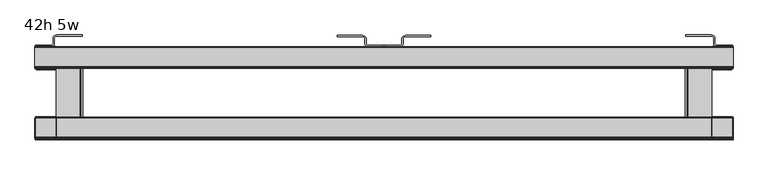
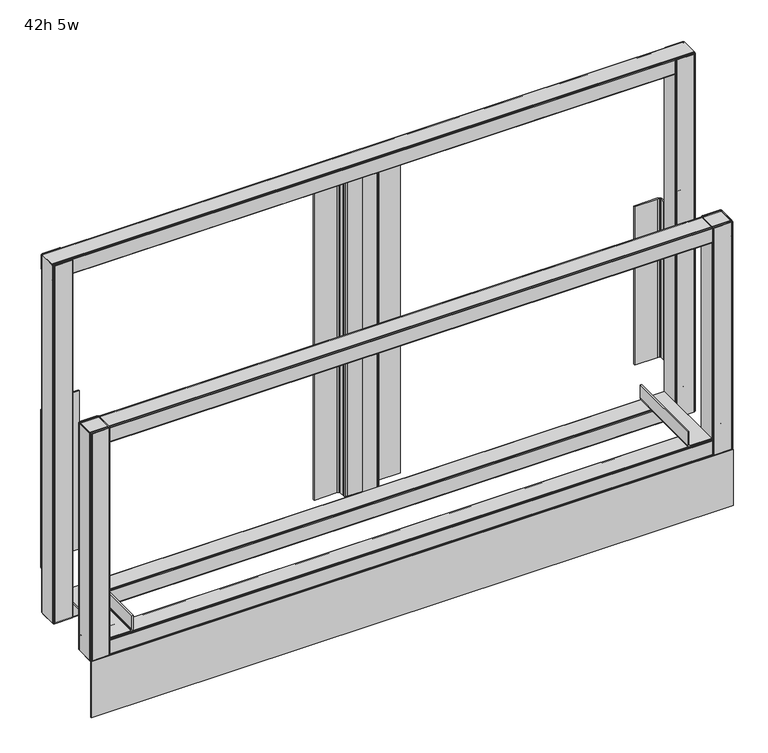
"""IFC4 building model written with IfcOpenShell, lengths in millimetres: furniture geometry, 42h 5w."""

from ifc_helpers import new_model, si_unit, point, frame, frame_2d, origin, origin_with_axes, place, context, project, spatial, polyline, circle_curve, trimmed, segment, composite_curve, outline, extrude, source, transform, mapped, element, save


def furniture_42h_5w_247d5fed(model_context):
    return source(origin(), model_context, "Body", "SweptSolid", [
        extrude(outline(polyline([(1524.0, -72.6720019), (1523.5727983, -74.2663389), (1522.4106677, -75.4284727), (1520.8231678, -75.8538427), (1479.6114287, -75.8538427), (1478.1629536, -75.160403), (1477.1936768, -73.8532744), (1476.9684817, -72.6788412), (1476.9684817, -27.3581035), (1478.1629536, -25.7472801), (1479.611424, -25.0538403), (1481.7408108, -25.0538403), (1520.8231679, -25.0538403), (1522.4106677, -25.4792097), (1523.5727983, -26.6413403), (1524.0, -28.2356787), (1524.0, -72.6720019)]), holes=[composite_curve([segment(polyline([(1522.0931676, -72.730636), (1522.0931676, -28.1651168)]), True, "CONTINUOUS"), segment(trimmed(circle_curve(frame_2d((1520.8868913, -28.1651168)), 1.2062764), [point((1522.0931676, -28.1651168))], [point((1520.8868913, -26.9588404))], True, "CARTESIAN"), True, "CONTINUOUS"), segment(polyline([(1520.8868913, -26.9588404), (1480.1283088, -26.9588404)]), True, "CONTINUOUS"), segment(trimmed(circle_curve(frame_2d((1480.1283089, -28.2136693)), 1.254829), [point((1480.1283088, -26.9588404))], [point((1478.8734799, -28.2136693))], True, "CARTESIAN"), True, "CONTINUOUS"), segment(polyline([(1478.8734799, -28.2136693), (1478.8734799, -72.8953776)]), True, "CONTINUOUS"), segment(trimmed(circle_curve(frame_2d((1479.9269416, -72.8953776)), 1.0534616), [point((1478.8734799, -72.8953776))], [point((1479.9269417, -73.9488392))], True, "CARTESIAN"), True, "CONTINUOUS"), segment(polyline([(1479.9269417, -73.9488392), (1520.8749644, -73.9488392)]), True, "CONTINUOUS"), segment(trimmed(circle_curve(frame_2d((1520.8749644, -72.730636)), 1.2182032), [point((1520.8749644, -73.9488392))], [point((1522.0931676, -72.730636))], True, "CARTESIAN"), True, "CONTINUOUS")], self_intersect=False)]), frame((0.0, 0.0, 142.2400006), z_axis=(0.0, 0.0, 1.0), x_axis=(1.0, 0.0, 0.0)), (0.0, 0.0, 1.0), 897.9650676),
        extrude(outline(polyline([(0.0, -72.6720025), (0.0, -28.2356792), (0.4272017, -26.6413409), (1.5893323, -25.4792102), (3.1768321, -25.0538409), (42.2591892, -25.0538401), (44.3885759, -25.0538401), (45.8370464, -25.7472799), (47.0315183, -27.3581033), (47.0315183, -72.678841), (46.8063232, -73.8532742), (45.8370464, -75.1604028), (44.3885713, -75.8538425), (3.1768322, -75.8538425), (1.5893323, -75.4284733), (0.4272017, -74.2663394), (0.0, -72.6720025)]), holes=[composite_curve([segment(trimmed(circle_curve(frame_2d((3.1250356, -72.7306366)), 1.2182032), [point((1.9068324, -72.7306366))], [point((3.1250356, -73.9488397))], True, "CARTESIAN"), True, "CONTINUOUS"), segment(polyline([(3.1250356, -73.9488397), (44.0730584, -73.9488397)]), True, "CONTINUOUS"), segment(trimmed(circle_curve(frame_2d((44.0730584, -72.8953781)), 1.0534617), [point((44.0730584, -73.9488397))], [point((45.1265201, -72.8953781))], True, "CARTESIAN"), True, "CONTINUOUS"), segment(polyline([(45.1265201, -72.8953781), (45.1265201, -28.2136691)]), True, "CONTINUOUS"), segment(trimmed(circle_curve(frame_2d((43.8716911, -28.2136691)), 1.2548289), [point((45.1265201, -28.2136691))], [point((43.8716911, -26.9588402))], True, "CARTESIAN"), True, "CONTINUOUS"), segment(polyline([(43.8716911, -26.9588402), (3.1131087, -26.9588408)]), True, "CONTINUOUS"), segment(trimmed(circle_curve(frame_2d((3.1131088, -28.1651172)), 1.2062764), [point((3.1131087, -26.9588408))], [point((1.9068324, -28.1651172))], True, "CARTESIAN"), True, "CONTINUOUS"), segment(polyline([(1.9068324, -28.1651172), (1.9068324, -72.7306366)]), True, "CONTINUOUS")], self_intersect=False)]), frame((0.0, 0.0, 142.2400006), z_axis=(0.0, 0.0, 1.0), x_axis=(1.0, 0.0, 0.0)), (0.0, 0.0, 1.0), 897.9650676),
        extrude(outline(polyline([(727.7208445, -23.01875), (762.0, -23.01875), (762.0, -26.0161562), (727.569944, -26.0161562), (723.4778403, -24.9196801), (721.2539889, -22.6958267), (720.4399988, -19.6579869), (720.4399988, -7.8317466), (720.033006, -6.3128259), (718.9210781, -5.2009002), (714.5916973, -4.0408449), (659.9778418, -4.0408449), (659.9778418, -0.9623159), (714.4398534, -0.9623159), (720.4399988, -2.5700538), (722.6638547, -4.7939074), (723.4778403, -7.8317466), (723.4778403, -19.6579869), (723.8848331, -21.1769068), (724.996761, -22.2888334), (727.7208445, -23.01875)])), frame((0.0, 0.0, 178.4492695), z_axis=(0.0, 0.0, 1.0), x_axis=(1.0, 0.0, 0.0)), (0.0, 0.0, 1.0), 823.9758089),
        extrude(outline(polyline([(796.2791555, -23.01875), (799.003239, -22.2888334), (800.1151669, -21.1769068), (800.5221597, -19.6579869), (800.5221597, -7.8317466), (801.3361453, -4.7939074), (803.5600012, -2.5700538), (809.5601466, -0.9623159), (864.0221582, -0.9623159), (864.0221582, -4.0408449), (809.4083027, -4.0408449), (805.0789219, -5.2009002), (803.966994, -6.3128259), (803.5600012, -7.8317466), (803.5600012, -19.6579869), (802.7460111, -22.6958267), (800.5221597, -24.9196801), (796.430056, -26.0161562), (762.0, -26.0161562), (762.0, -23.01875), (796.2791555, -23.01875)])), frame((0.0, 0.0, 176.0315177), z_axis=(0.0, 0.0, 1.0), x_axis=(1.0, 0.0, 0.0)), (0.0, 0.0, 1.0), 826.3935607),
        extrude(outline(polyline([(35.3068785, -22.0564341), (38.030962, -21.3265174), (39.14289, -20.2145909), (39.5498827, -18.695671), (39.5498827, -6.8694307), (40.3638683, -3.8315915), (42.5877242, -1.6077378), (48.5878696, 0.0), (103.0498812, 0.0), (103.0498812, -3.078529), (48.4360257, -3.078529), (44.1066449, -4.2385842), (42.994717, -5.3505099), (42.5877242, -6.8694307), (42.5877242, -18.695671), (41.7737341, -21.7335108), (39.5498827, -23.9573641), (35.457779, -25.0538403), (1.027723, -25.0538403), (1.027723, -22.0564341), (35.3068785, -22.0564341)])), frame((0.0, 0.0, 251.0568051), z_axis=(0.0, 0.0, 1.0), x_axis=(1.0, 0.0, 0.0)), (0.0, 0.0, 1.0), 397.1052306),
        extrude(outline(polyline([(1488.6931215, -22.0564341), (1522.972277, -22.0564341), (1522.972277, -25.0538403), (1488.542221, -25.0538403), (1484.4501173, -23.9573641), (1482.2262659, -21.7335108), (1481.4122758, -18.695671), (1481.4122758, -6.8694307), (1481.005283, -5.3505099), (1479.8933551, -4.2385842), (1475.5639743, -3.078529), (1420.9501188, -3.078529), (1420.9501188, 0.0), (1475.4121304, 0.0), (1481.4122758, -1.6077378), (1483.6361317, -3.8315915), (1484.4501173, -6.8694307), (1484.4501173, -18.695671), (1484.85711, -20.2145909), (1485.969038, -21.3265174), (1488.6931215, -22.0564341)])), frame((0.0, 0.0, 251.0568051), z_axis=(0.0, 0.0, 1.0), x_axis=(1.0, 0.0, 0.0)), (0.0, 0.0, 1.0), 397.1052306),
        extrude(outline(polyline([(1524.0, -72.6720019), (1523.5727983, -74.2663389), (1522.4106677, -75.4284727), (1520.8231678, -75.8538427), (1479.6114287, -75.8538427), (1478.1629536, -75.160403), (1477.1936768, -73.8532744), (1476.9684817, -72.6788412), (1476.9684817, -27.3581035), (1478.1629536, -25.7472801), (1479.611424, -25.0538403), (1481.7408108, -25.0538403), (1520.8231679, -25.0538403), (1522.4106677, -25.4792097), (1523.5727983, -26.6413403), (1524.0, -28.2356787), (1524.0, -72.6720019)]), holes=[composite_curve([segment(polyline([(1522.0931676, -72.730636), (1522.0931676, -28.1651168)]), True, "CONTINUOUS"), segment(trimmed(circle_curve(frame_2d((1520.8868913, -28.1651168)), 1.2062764), [point((1522.0931676, -28.1651168))], [point((1520.8868913, -26.9588404))], True, "CARTESIAN"), True, "CONTINUOUS"), segment(polyline([(1520.8868913, -26.9588404), (1480.1283088, -26.9588404)]), True, "CONTINUOUS"), segment(trimmed(circle_curve(frame_2d((1480.1283089, -28.2136693)), 1.254829), [point((1480.1283088, -26.9588404))], [point((1478.8734799, -28.2136693))], True, "CARTESIAN"), True, "CONTINUOUS"), segment(polyline([(1478.8734799, -28.2136693), (1478.8734799, -72.8953776)]), True, "CONTINUOUS"), segment(trimmed(circle_curve(frame_2d((1479.9269416, -72.8953776)), 1.0534616), [point((1478.8734799, -72.8953776))], [point((1479.9269417, -73.9488392))], True, "CARTESIAN"), True, "CONTINUOUS"), segment(polyline([(1479.9269417, -73.9488392), (1520.8749644, -73.9488392)]), True, "CONTINUOUS"), segment(trimmed(circle_curve(frame_2d((1520.8749644, -72.730636)), 1.2182032), [point((1520.8749644, -73.9488392))], [point((1522.0931676, -72.730636))], True, "CARTESIAN"), True, "CONTINUOUS")], self_intersect=False)]), frame((0.0, 0.0, 142.2400006), z_axis=(0.0, 0.0, 1.0), x_axis=(1.0, 0.0, 0.0)), (0.0, 0.0, 1.0), 568.9599752),
        extrude(outline(polyline([(-69.6866351, 1001.9409842), (-71.4932977, 1002.4250785), (-72.6554315, 1003.587209), (-72.8823632, 1004.4341299), (-72.8823632, 1038.7565932), (-72.1889235, 1040.2050682), (-70.8817949, 1041.174345), (-69.7049635, 1041.4), (-28.5017272, 1041.4), (-26.8902842, 1040.2050682), (-26.1968444, 1038.7565977), (-26.1968444, 1036.627211), (-26.1968444, 1005.9152882), (-26.8206514, 1003.587209), (-27.982782, 1002.4250784), (-29.7894465, 1001.9409842), (-69.6866351, 1001.9409842)]), holes=[composite_curve([segment(polyline([(-70.332356, 1003.5801491), (-29.2089019, 1003.5801491)]), True, "CONTINUOUS"), segment(trimmed(circle_curve(frame_2d((-29.2089019, 1004.7864254)), 1.2062764), [point((-29.2089019, 1003.5801491))], [point((-28.0026255, 1004.7864254))], True, "CARTESIAN"), True, "CONTINUOUS"), segment(polyline([(-28.0026255, 1004.7864254), (-28.0026255, 1038.1404943)]), True, "CONTINUOUS"), segment(trimmed(circle_curve(frame_2d((-29.2574544, 1038.1404943)), 1.2548289), [point((-28.0026255, 1038.1404943))], [point((-29.2574544, 1039.3953232))], True, "CARTESIAN"), True, "CONTINUOUS"), segment(polyline([(-29.2574544, 1039.3953232), (-70.2691988, 1039.3953232)]), True, "CONTINUOUS"), segment(trimmed(circle_curve(frame_2d((-70.2691988, 1038.5383334)), 0.8569898), [point((-70.2691988, 1039.3953232))], [point((-71.1261886, 1038.5383334))], True, "CARTESIAN"), True, "CONTINUOUS"), segment(polyline([(-71.1261886, 1038.5383334), (-71.1261886, 1037.4730464), (-71.1261886, 1004.3739817)]), True, "CONTINUOUS"), segment(trimmed(circle_curve(frame_2d((-70.332356, 1004.3739817)), 0.7938326), [point((-71.1261886, 1004.3739817))], [point((-70.332356, 1003.5801491))], True, "CARTESIAN"), True, "CONTINUOUS")], self_intersect=False)]), frame((0.0, 0.0, 0.0), z_axis=(1.0, 0.0, 0.0), x_axis=(0.0, 1.0, 0.0)), (0.0, 0.0, 1.0), 1524.0),
        extrude(outline(polyline([(217.1649967, 1419.5758798), (183.3880068, 1419.5758798), (180.2764961, 1420.4096043), (177.9987282, 1422.6873722), (177.1650036, 1425.7988647), (177.1650036, 1476.9782739), (180.2130007, 1476.9782739), (180.2130007, 1425.7988647), (180.6383745, 1424.2113708), (181.8004947, 1423.0492506), (183.3880068, 1422.6238768), (217.1649967, 1422.6238768), (217.1649967, 1419.5758798)])), frame((0.0, -223.0555224, 0.0), z_axis=(0.0, 1.0, 0.0), x_axis=(0.0, 0.0, 1.0)), (0.0, 0.0, 1.0), 194.5544148),
        extrude(outline(polyline([(217.1649967, 104.4241202), (217.1649967, 101.3761232), (183.3880068, 101.3761232), (181.8004947, 100.9507494), (180.6383745, 99.7886292), (180.2130007, 98.2011353), (180.2130007, 47.0315183), (177.1650036, 47.0315183), (177.1650036, 98.2011353), (177.9987282, 101.3126278), (180.2764961, 103.5903957), (183.3880068, 104.4241202), (217.1649967, 104.4241202)])), frame((0.0, -223.0555224, 0.0), z_axis=(0.0, 1.0, 0.0), x_axis=(0.0, 0.0, 1.0)), (0.0, 0.0, 1.0), 194.5537952),
        extrude(outline(polyline([(1524.0, -229.202005), (0.762, -229.202005), (0.762, -227.1700069), (1524.0, -227.1700069), (1524.0, -229.202005)])), origin_with_axes(), (0.0, 0.0, 1.0), 139.700003),
        extrude(outline(polyline([(1524.0, -226.020165), (1523.5727983, -227.6145019), (1522.4106677, -228.7766357), (1520.8231678, -229.202005), (1479.6114287, -229.202005), (1478.1629536, -228.5085653), (1477.1936768, -227.2014367), (1476.9684817, -226.0270034), (1476.9684817, -180.7062658), (1478.1629536, -179.0954424), (1479.6114241, -178.4020034), (1481.7408108, -178.4020034), (1520.8231679, -178.4020034), (1522.4106677, -178.8273727), (1523.5727983, -179.9895033), (1524.0, -181.5838417), (1524.0, -226.020165)]), holes=[composite_curve([segment(polyline([(1522.0931676, -226.078799), (1522.0931676, -181.5132797)]), True, "CONTINUOUS"), segment(trimmed(circle_curve(frame_2d((1520.8868912, -181.5132797)), 1.2062764), [point((1522.0931676, -181.5132797))], [point((1520.8868912, -180.3070033))], True, "CARTESIAN"), True, "CONTINUOUS"), segment(polyline([(1520.8868912, -180.3070033), (1480.1283089, -180.3070026)]), True, "CONTINUOUS"), segment(trimmed(circle_curve(frame_2d((1480.1283089, -181.5618316)), 1.2548289), [point((1480.1283089, -180.3070026))], [point((1478.87348, -181.5618316))], True, "CARTESIAN"), True, "CONTINUOUS"), segment(polyline([(1478.87348, -181.5618316), (1478.87348, -226.2435406)]), True, "CONTINUOUS"), segment(trimmed(circle_curve(frame_2d((1479.9269416, -226.2435406)), 1.0534615), [point((1478.87348, -226.2435406))], [point((1479.9269416, -227.2970021))], True, "CARTESIAN"), True, "CONTINUOUS"), segment(polyline([(1479.9269416, -227.2970021), (1520.8749644, -227.2970021)]), True, "CONTINUOUS"), segment(trimmed(circle_curve(frame_2d((1520.8749644, -226.078799)), 1.2182032), [point((1520.8749644, -227.2970021))], [point((1522.0931676, -226.078799))], True, "CARTESIAN"), True, "CONTINUOUS")], self_intersect=False)]), frame((0.0, 0.0, 142.2400006), z_axis=(0.0, 0.0, 1.0), x_axis=(1.0, 0.0, 0.0)), (0.0, 0.0, 1.0), 569.0435446),
        extrude(outline(polyline([(0.0, -226.020165), (0.0, -181.5838417), (0.4272017, -179.9895033), (1.5893323, -178.8273727), (3.1768321, -178.4020034), (42.2591892, -178.4020026), (44.3885759, -178.4020026), (45.8370464, -179.0954424), (47.0315183, -180.7062658), (47.0315183, -226.0270034), (46.8063232, -227.2014367), (45.8370464, -228.5085653), (44.3885713, -229.202005), (3.1768322, -229.202005), (1.5893323, -228.7766357), (0.4272017, -227.6145019), (0.0, -226.020165)]), holes=[composite_curve([segment(trimmed(circle_curve(frame_2d((3.1250356, -226.078799)), 1.2182032), [point((1.9068324, -226.078799))], [point((3.1250356, -227.2970022))], True, "CARTESIAN"), True, "CONTINUOUS"), segment(polyline([(3.1250356, -227.2970022), (44.0730584, -227.2970022)]), True, "CONTINUOUS"), segment(trimmed(circle_curve(frame_2d((44.0730584, -226.2435405)), 1.0534617), [point((44.0730584, -227.2970022))], [point((45.1265201, -226.2435405))], True, "CARTESIAN"), True, "CONTINUOUS"), segment(polyline([(45.1265201, -226.2435405), (45.1265201, -181.5618316)]), True, "CONTINUOUS"), segment(trimmed(circle_curve(frame_2d((43.8716912, -181.5618316)), 1.2548289), [point((45.1265201, -181.5618316))], [point((43.8716911, -180.3070027))], True, "CARTESIAN"), True, "CONTINUOUS"), segment(polyline([(43.8716911, -180.3070027), (3.1131088, -180.3070033)]), True, "CONTINUOUS"), segment(trimmed(circle_curve(frame_2d((3.1131088, -181.5132797)), 1.2062764), [point((3.1131088, -180.3070033))], [point((1.9068324, -181.5132797))], True, "CARTESIAN"), True, "CONTINUOUS"), segment(polyline([(1.9068324, -181.5132797), (1.9068324, -226.078799)]), True, "CONTINUOUS")], self_intersect=False)]), frame((0.0, 0.0, 142.2400006), z_axis=(0.0, 0.0, 1.0), x_axis=(1.0, 0.0, 0.0)), (0.0, 0.0, 1.0), 569.0435446),
        extrude(outline(polyline([(-223.0347979, 139.2159088), (-224.8414605, 139.700003), (-226.0035943, 140.8621336), (-226.230526, 141.7090545), (-226.230526, 176.0315177), (-225.5370863, 177.4799928), (-224.2299577, 178.4492695), (-223.0555224, 178.6744651), (-181.8492701, 178.6744693), (-180.2384467, 177.4799928), (-179.5450075, 176.0315223), (-179.5450075, 173.9021356), (-179.5450075, 143.1902128), (-180.1688145, 140.8621336), (-181.3309451, 139.700003), (-183.1376095, 139.2159088), (-223.0347979, 139.2159088)]), holes=[composite_curve([segment(polyline([(-223.6805188, 140.8550736), (-182.557065, 140.8550736)]), True, "CONTINUOUS"), segment(trimmed(circle_curve(frame_2d((-182.557065, 142.06135)), 1.2062764), [point((-182.557065, 140.8550736))], [point((-181.3507886, 142.06135))], True, "CARTESIAN"), True, "CONTINUOUS"), segment(polyline([(-181.3507886, 142.06135), (-181.3507886, 175.4154189)]), True, "CONTINUOUS"), segment(trimmed(circle_curve(frame_2d((-182.6056175, 175.4154189)), 1.2548289), [point((-181.3507886, 175.4154189))], [point((-182.6056175, 176.6702478))], True, "CARTESIAN"), True, "CONTINUOUS"), segment(polyline([(-182.6056175, 176.6702478), (-223.6173616, 176.6702478)]), True, "CONTINUOUS"), segment(trimmed(circle_curve(frame_2d((-223.6173616, 175.813258)), 0.8569898), [point((-223.6173616, 176.6702478))], [point((-224.4743514, 175.813258))], True, "CARTESIAN"), True, "CONTINUOUS"), segment(polyline([(-224.4743514, 175.813258), (-224.4743514, 174.747971), (-224.4743514, 141.6489063)]), True, "CONTINUOUS"), segment(trimmed(circle_curve(frame_2d((-223.6805188, 141.6489063)), 0.7938326), [point((-224.4743514, 141.6489063))], [point((-223.6805188, 140.8550736))], True, "CARTESIAN"), True, "CONTINUOUS")], self_intersect=False)]), frame((1.9068324, 0.0, 0.0), z_axis=(1.0, 0.0, 0.0), x_axis=(0.0, 1.0, 0.0)), (0.0, 0.0, 1.0), 1522.0931676),
        extrude(outline(polyline([(-69.6866351, 139.2159088), (-71.4932977, 139.700003), (-72.6554315, 140.8621336), (-72.8823632, 141.7090545), (-72.8823632, 176.0315177), (-72.1889235, 177.4799928), (-70.8817949, 178.4492695), (-69.7073595, 178.6744651), (-28.5011076, 178.6744693), (-26.8902842, 177.4799928), (-26.1968444, 176.0315223), (-26.1968444, 173.9021356), (-26.1968444, 143.1902128), (-26.8206514, 140.8621336), (-27.982782, 139.700003), (-29.7894465, 139.2159088), (-69.6866351, 139.2159088)]), holes=[composite_curve([segment(polyline([(-70.332356, 140.8550736), (-29.2089019, 140.8550736)]), True, "CONTINUOUS"), segment(trimmed(circle_curve(frame_2d((-29.2089019, 142.06135)), 1.2062764), [point((-29.2089019, 140.8550736))], [point((-28.0026255, 142.06135))], True, "CARTESIAN"), True, "CONTINUOUS"), segment(polyline([(-28.0026255, 142.06135), (-28.0026255, 175.4154189)]), True, "CONTINUOUS"), segment(trimmed(circle_curve(frame_2d((-29.2574544, 175.4154189)), 1.2548289), [point((-28.0026255, 175.4154189))], [point((-29.2574544, 176.6702478))], True, "CARTESIAN"), True, "CONTINUOUS"), segment(polyline([(-29.2574544, 176.6702478), (-70.2691988, 176.6702478)]), True, "CONTINUOUS"), segment(trimmed(circle_curve(frame_2d((-70.2691988, 175.813258)), 0.8569898), [point((-70.2691988, 176.6702478))], [point((-71.1261886, 175.813258))], True, "CARTESIAN"), True, "CONTINUOUS"), segment(polyline([(-71.1261886, 175.813258), (-71.1261886, 174.747971), (-71.1261886, 141.6489063)]), True, "CONTINUOUS"), segment(trimmed(circle_curve(frame_2d((-70.332356, 141.6489063)), 0.7938326), [point((-71.1261886, 141.6489063))], [point((-70.332356, 140.8550736))], True, "CARTESIAN"), True, "CONTINUOUS")], self_intersect=False)]), frame((1.9068324, 0.0, 0.0), z_axis=(1.0, 0.0, 0.0), x_axis=(0.0, 1.0, 0.0)), (0.0, 0.0, 1.0), 1522.0931676),
        extrude(outline(polyline([(-223.0347979, 671.8249791), (-224.8414605, 672.3090734), (-226.0035943, 673.4712039), (-226.230526, 674.3181248), (-226.230526, 708.6405881), (-225.5370863, 710.0890631), (-224.2299577, 711.0583399), (-223.0532062, 711.2839796), (-181.849869, 711.2839796), (-180.2384467, 710.0890631), (-179.5450069, 708.6405927), (-179.5450069, 706.511206), (-179.5450069, 675.7992832), (-180.1688139, 673.4712039), (-181.3309445, 672.3090734), (-183.1376089, 671.8249791), (-223.0347979, 671.8249791)]), holes=[composite_curve([segment(polyline([(-223.6805188, 673.464144), (-182.5570644, 673.464144)]), True, "CONTINUOUS"), segment(trimmed(circle_curve(frame_2d((-182.5570644, 674.6704204)), 1.2062764), [point((-182.5570644, 673.464144))], [point((-181.350788, 674.6704204))], True, "CARTESIAN"), True, "CONTINUOUS"), segment(polyline([(-181.350788, 674.6704204), (-181.350788, 708.0244893)]), True, "CONTINUOUS"), segment(trimmed(circle_curve(frame_2d((-182.6056169, 708.0244893)), 1.2548289), [point((-181.350788, 708.0244893))], [point((-182.6056169, 709.2793182))], True, "CARTESIAN"), True, "CONTINUOUS"), segment(polyline([(-182.6056169, 709.2793182), (-223.6173616, 709.2793182)]), True, "CONTINUOUS"), segment(trimmed(circle_curve(frame_2d((-223.6173616, 708.4223284)), 0.8569898), [point((-223.6173616, 709.2793182))], [point((-224.4743514, 708.4223284))], True, "CARTESIAN"), True, "CONTINUOUS"), segment(polyline([(-224.4743514, 708.4223284), (-224.4743514, 707.3570413), (-224.4743514, 674.2579766)]), True, "CONTINUOUS"), segment(trimmed(circle_curve(frame_2d((-223.6805188, 674.2579766)), 0.7938326), [point((-224.4743514, 674.2579766))], [point((-223.6805188, 673.464144))], True, "CARTESIAN"), True, "CONTINUOUS")], self_intersect=False)]), frame((1.9068324, 0.0, 0.0), z_axis=(1.0, 0.0, 0.0), x_axis=(0.0, 1.0, 0.0)), (0.0, 0.0, 1.0), 1522.0931676),
    ])


if __name__ == "__main__":
    model = new_model("IFC4")
    model_context = context("Model", 3, world=origin())
    ifc_project = project(units=[si_unit("LENGTHUNIT", "METRE", prefix="MILLI")], contexts=[model_context])
    site = spatial("IfcSite", under=ifc_project)
    building = spatial("IfcBuilding", under=site)
    placement = place(None, origin())
    furniture_42h_5w_shape = furniture_42h_5w_247d5fed(model_context)
    element("IfcFurniture", 1, ObjectType="42h 5w", at=placement, inside=building, context=model_context, shape_type="MappedRepresentation", body=[
        mapped(furniture_42h_5w_shape, transform((0.0, 0.0, 0.0), x_axis=(1.0, 0.0, 0.0), y_axis=(0.0, 1.0, 0.0), z_axis=(0.0, 0.0, 1.0))),
    ])
    save(model, "model.ifc")
